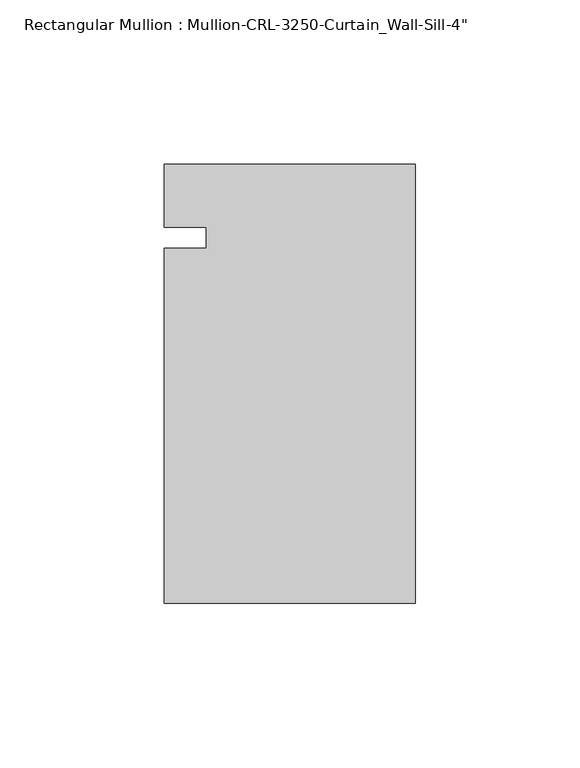
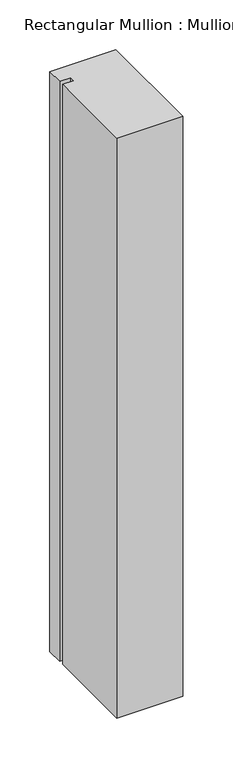
"""IFC4 building model written with IfcOpenShell, lengths in millimetres: member geometry."""

from ifc_helpers import new_model, si_unit, frame, origin, place, context, project, spatial, polyline, outline, extrude, source, transform, mapped, element, save


def member_01dec973(model_context):
    return source(origin(), model_context, "Body", "SweptSolid", [
        extrude(outline(polyline([(-76.199997, 3.175), (-76.199997, 22.2254168), (0.0, 22.2254168), (0.0, -111.1245832), (-76.199997, -111.1245832), (-76.199997, -3.175), (-63.499997, -3.175), (-63.499997, 3.175), (-76.199997, 3.175)])), frame((0.0, 0.0, -708.0261772), z_axis=(0.0, 0.0, 1.0), x_axis=(1.0, 0.0, 0.0)), (0.0, 0.0, 1.0), 708.0261772),
    ])


if __name__ == "__main__":
    model = new_model("IFC4")
    model_context = context("Model", 3, world=origin())
    ifc_project = project(units=[si_unit("LENGTHUNIT", "METRE", prefix="MILLI")], contexts=[model_context])
    site = spatial("IfcSite", under=ifc_project)
    building = spatial("IfcBuilding", under=site)
    placement = place(None, origin())
    member_shape = member_01dec973(model_context)
    element("IfcMember", 1, ObjectType="Rectangular Mullion : Mullion-CRL-3250-Curtain_Wall-Sill-4\"", at=placement, inside=building, context=model_context, shape_type="MappedRepresentation", body=[
        mapped(member_shape, transform((0.0, 0.0, 0.0), x_axis=(1.0, 0.0, 0.0), y_axis=(0.0, 1.0, 0.0), z_axis=(0.0, 0.0, 1.0))),
    ])
    save(model, "model.ifc")
